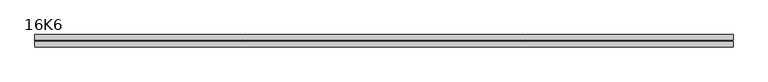
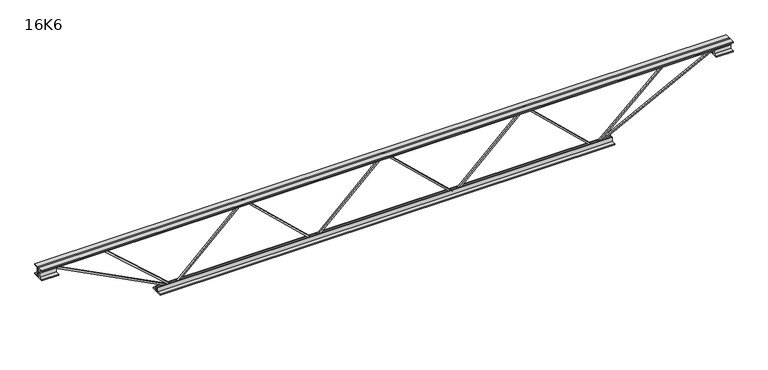
"""IFC4 building model written with IfcOpenShell, lengths in millimetres: beam geometry, 16K6."""

from ifc_helpers import new_model, si_unit, frame, origin, place, context, project, spatial, polyline, outline, extrude, source, transform, mapped, element, save


def beam_16k6_9d3d084f(model_context):
    return source(origin(), model_context, "Body", "SweptSolid", [
        extrude(outline(polyline([(-191.9, -422.5), (-201.4, -422.5), (-201.4, -417.4355605), (191.9, -1.2855605), (191.9, 1.2855605), (-201.4, 417.4355605), (-201.4, 422.5), (-191.9, 422.5), (-191.9, 421.2144395), (201.4, 5.0644395), (201.4, -5.0644395), (-191.9, -421.2144395), (-191.9, -422.5)])), frame((0.0, -4.75, 0.0), z_axis=(0.0, 1.0, 0.0), x_axis=(0.0, 0.0, 1.0)), (0.0, 0.0, 1.0), 9.5),
        extrude(outline(polyline([(-191.9, 422.5), (-201.4, 422.5), (-201.4, 427.5644395), (191.9, 843.7144395), (191.9, 846.2855605), (-201.4, 1262.4355605), (-201.4, 1267.5), (-191.9, 1267.5), (-191.9, 1266.2144395), (201.4, 850.0644395), (201.4, 839.9355605), (-191.9, 423.7855605), (-191.9, 422.5)])), frame((0.0, -4.75, 0.0), z_axis=(0.0, 1.0, 0.0), x_axis=(0.0, 0.0, 1.0)), (0.0, 0.0, 1.0), 9.5),
        extrude(outline(polyline([(-191.9, -1267.5), (-201.4, -1267.5), (-201.4, -1262.4355605), (191.9, -846.2855605), (191.9, -843.7144395), (-201.4, -427.5644395), (-201.4, -422.5), (-191.9, -422.5), (-191.9, -423.7855605), (201.4, -839.9355605), (201.4, -850.0644395), (-191.9, -1266.2144395), (-191.9, -1267.5)])), frame((0.0, -4.75, 0.0), z_axis=(0.0, 1.0, 0.0), x_axis=(0.0, 0.0, 1.0)), (0.0, 0.0, 1.0), 9.5),
        extrude(outline(polyline([(4.75, 203.0), (36.75, 203.0), (36.75, 196.5), (11.25, 196.5), (11.25, 171.0), (4.75, 171.0), (4.75, 203.0)])), frame((-2079.5, 0.0, 0.0), z_axis=(1.0, 0.0, 0.0), x_axis=(0.0, 1.0, 0.0)), (0.0, 0.0, 1.0), 4159.0),
        extrude(outline(polyline([(-4.75, 203.0), (-4.75, 171.0), (-11.25, 171.0), (-11.25, 196.5), (-36.75, 196.5), (-36.75, 203.0), (-4.75, 203.0)])), frame((-2079.5, 0.0, 0.0), z_axis=(1.0, 0.0, 0.0), x_axis=(0.0, 1.0, 0.0)), (0.0, 0.0, 1.0), 4159.0),
        extrude(outline(polyline([(-4.75, 139.5), (-36.75, 139.5), (-36.75, 146.0), (-11.25, 146.0), (-11.25, 171.0), (-4.75, 171.0), (-4.75, 139.5)])), frame((-2079.5, 0.0, 0.0), z_axis=(1.0, 0.0, 0.0), x_axis=(0.0, 1.0, 0.0)), (0.0, 0.0, 1.0), 100.0),
        extrude(outline(polyline([(36.75, 139.5), (4.75, 139.5), (4.75, 171.0), (11.25, 171.0), (11.25, 146.0), (36.75, 146.0), (36.75, 139.5)])), frame((-2079.5, 0.0, 0.0), z_axis=(1.0, 0.0, 0.0), x_axis=(0.0, 1.0, 0.0)), (0.0, 0.0, 1.0), 100.0),
        extrude(outline(polyline([(4.75, 139.5), (4.75, 171.0), (11.25, 171.0), (11.25, 146.0), (36.75, 146.0), (36.75, 139.5), (4.75, 139.5)])), frame((1979.5, 0.0, 0.0), z_axis=(1.0, 0.0, 0.0), x_axis=(0.0, 1.0, 0.0)), (0.0, 0.0, 1.0), 100.0),
        extrude(outline(polyline([(-4.75, 139.5), (-36.75, 139.5), (-36.75, 146.0), (-11.25, 146.0), (-11.25, 171.0), (-4.75, 171.0), (-4.75, 139.5)])), frame((1979.5, 0.0, 0.0), z_axis=(1.0, 0.0, 0.0), x_axis=(0.0, 1.0, 0.0)), (0.0, 0.0, 1.0), 100.0),
        extrude(outline(polyline([(4.75, -203.0), (4.75, -171.0), (11.25, -171.0), (11.25, -196.5), (36.75, -196.5), (36.75, -203.0), (4.75, -203.0)])), frame((-1367.5, 0.0, 0.0), z_axis=(1.0, 0.0, 0.0), x_axis=(0.0, 1.0, 0.0)), (0.0, 0.0, 1.0), 2735.0),
        extrude(outline(polyline([(-4.75, -203.0), (-36.75, -203.0), (-36.75, -196.5), (-11.25, -196.5), (-11.25, -171.0), (-4.75, -171.0), (-4.75, -203.0)])), frame((-1367.5, 0.0, 0.0), z_axis=(1.0, 0.0, 0.0), x_axis=(0.0, 1.0, 0.0)), (0.0, 0.0, 1.0), 2735.0),
        extrude(outline(polyline([(-200.8705467, -1269.6793315), (-192.4294533, -1265.3206685), (175.75, -1978.3460208), (175.75, -2079.5), (166.25, -2079.5), (166.25, -1980.6539792), (-200.8705467, -1269.6793315)])), frame((0.0, -4.75, 0.0), z_axis=(0.0, 1.0, 0.0), x_axis=(0.0, 0.0, 1.0)), (0.0, 0.0, 1.0), 9.5),
        extrude(outline(polyline([(188.7, -1709.9571429), (179.2, -1709.9571429), (179.2, -1699.0581141), (-200.2059665, -1270.6492225), (-193.0940335, -1264.3507775), (188.7, -1695.4561716), (188.7, -1709.9571429)])), frame((0.0, -4.75, 0.0), z_axis=(0.0, 1.0, 0.0), x_axis=(0.0, 0.0, 1.0)), (0.0, 0.0, 1.0), 9.5),
        extrude(outline(polyline([(0.0, -9.5), (0.0, 0.0), (801.3179909, 0.0), (801.3179909, -9.5), (0.0, -9.5)])), frame((1981.6793315, -4.75, 166.7794533), z_axis=(-0.4588066213244955, 0.0, 0.8885361468329812), x_axis=(-0.8885361468329812, 0.0, -0.4588066213244955)), (0.0, 0.0, 1.0), 9.5),
        extrude(outline(polyline([(0.0, -9.5), (0.0, 0.0), (587.9339894, 0.0), (587.9339894, -9.5), (0.0, -9.5)])), frame((1707.6918108, -4.75, 193.1193012), z_axis=(-0.6689526495762836, 0.0, 0.7433050199109851), x_axis=(-0.7433050199109851, 0.0, -0.6689526495762836)), (0.0, 0.0, 1.0), 9.5),
    ])


if __name__ == "__main__":
    model = new_model("IFC4")
    model_context = context("Model", 3, world=origin())
    ifc_project = project(units=[si_unit("LENGTHUNIT", "METRE", prefix="MILLI")], contexts=[model_context])
    site = spatial("IfcSite", under=ifc_project)
    building = spatial("IfcBuilding", under=site)
    placement = place(None, origin())
    beam_16k6_shape = beam_16k6_9d3d084f(model_context)
    element("IfcBeam", 1, ObjectType="16K6", at=placement, inside=building, context=model_context, shape_type="MappedRepresentation", body=[
        mapped(beam_16k6_shape, transform((0.0, 0.0, 0.0), x_axis=(1.0, 0.0, 0.0), y_axis=(0.0, 1.0, 0.0), z_axis=(0.0, 0.0, 1.0))),
    ])
    save(model, "model.ifc")
